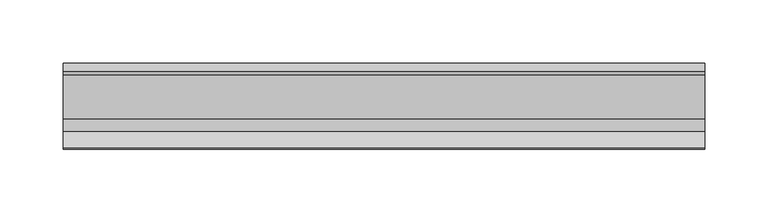
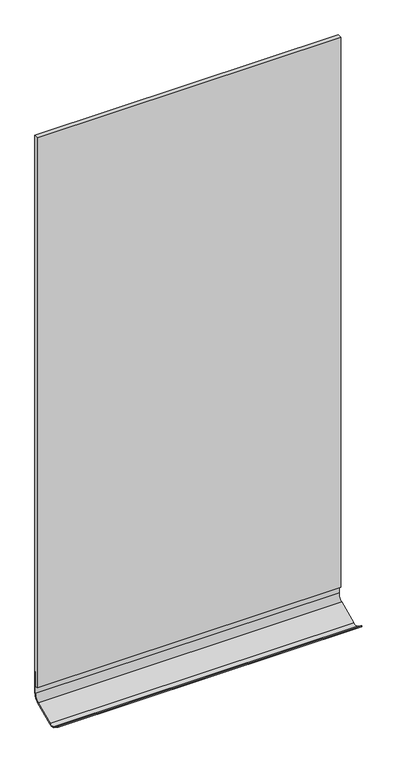
"""IFC4 building model written with IfcOpenShell, lengths in millimetres: furniture geometry."""

from ifc_helpers import new_model, si_unit, frame, origin, place, context, project, spatial, polyline, circle_curve, outline, extrude, source, transform, mapped, element, save
from ifc_brep_helpers import plane_surface, cylinder_surface, revolved_surface, advanced_brep


def furniture_3ea1df9d(model_context):
    return source(origin(), model_context, "Body", "SolidModel", [
        advanced_brep(
        [(-235.2622951, 0.0, 1162.05), (-235.2622951, -1.5875008, 1162.05), (272.7377049, -1.5875008, 1162.05), (272.7377049, 0.0, 1162.05), (-235.2622951, 0.0, 1123.95), (-235.2622951, -8.5020792, 1111.0709817), (-235.2622951, -43.3081623, 1095.4156295), (-235.2622951, -54.540103, 1095.4156295), (-235.2622951, -68.1632812, 1104.4645988), (-235.2622951, -67.2849232, 1105.7869625), (-235.2622951, -53.7735459, 1096.8122552), (-235.2622951, -43.9593611, 1096.8634205), (-235.2622951, -9.1260047, 1112.5310399), (-235.2622951, -1.5875008, 1123.95), (272.7377049, -1.5875008, 1123.95), (272.7377049, -9.125894, 1112.5307809), (272.7377049, -43.9593611, 1096.8634205), (272.7377049, -53.7735459, 1096.8122552), (272.7377049, -67.2849232, 1105.7869625), (272.7377049, -68.1632812, 1104.4645988), (272.7377049, -54.540103, 1095.4156295), (272.7377049, -43.3081623, 1095.4156295), (272.7377049, -8.5020792, 1111.0709817), (272.7377049, 0.0, 1123.95)],
        [
            (0, 1),
            (1, 2),
            (2, 3),
            (3, 0),
            (0, 4),
            (4, 5, circle_curve(frame((-235.2622951, -14.0056601, 1123.95), z_axis=(-1.0, 0.0, 0.0), x_axis=(0.0, 1.0, 0.0)), 14.0056601)),
            (5, 6),
            (6, 7, circle_curve(frame((-235.2622951, -48.9241326, 1107.9014509), z_axis=(-1.0, 0.0, 0.0), x_axis=(0.0, 0.4102037495757319, -0.9119939055903884)), 13.6906851)),
            (7, 8),
            (8, 9),
            (9, 10),
            (10, 11, circle_curve(frame((-235.2622951, -48.9241326, 1107.9014509), z_axis=(1.0, 0.0, 0.0), x_axis=(0.0, 0.4102037495757319, -0.9119939055903884)), 12.1031843)),
            (11, 12),
            (12, 13, circle_curve(frame((-235.2622951, -14.0056601, 1123.95), z_axis=(1.0, 0.0, 0.0), x_axis=(0.0, 1.0, 0.0)), 12.4181593)),
            (13, 1),
            (13, 14),
            (14, 2),
            (14, 15, circle_curve(frame((272.7377049, -14.0056601, 1123.95), z_axis=(-1.0, 0.0, 0.0), x_axis=(0.0, 1.0, 0.0)), 12.4181593)),
            (15, 16),
            (16, 17, circle_curve(frame((272.7377049, -48.9241326, 1107.9014509), z_axis=(-1.0, 0.0, 0.0), x_axis=(0.0, 0.4102037495757319, -0.9119939055903884)), 12.1031843)),
            (17, 18),
            (18, 19),
            (19, 20),
            (20, 21, circle_curve(frame((272.7377049, -48.9241326, 1107.9014509), z_axis=(1.0, 0.0, 0.0), x_axis=(0.0, 0.4102037495757319, -0.9119939055903884)), 13.6906851)),
            (21, 22),
            (22, 23, circle_curve(frame((272.7377049, -14.0056601, 1123.95), z_axis=(1.0, 0.0, 0.0), x_axis=(0.0, 1.0, 0.0)), 14.0056601)),
            (23, 3),
            (23, 4),
            (12, 15),
            (22, 5),
            (11, 16),
            (21, 6),
            (10, 17),
            (20, 7),
            (8, 19),
            (18, 9),
        ],
        [
            plane_surface(frame((18.7377049, 0.0, 1162.05), z_axis=(0.0, 0.0, 1.0), x_axis=(1.0, 0.0, 0.0))),
            plane_surface(frame((-235.2622951, 0.0, 1162.05), z_axis=(-1.0, 0.0, 0.0), x_axis=(0.0, 0.0, -1.0))),
            plane_surface(frame((-235.2622951, -1.5875008, 1162.05), z_axis=(0.0, -1.0, 0.0), x_axis=(0.0, 0.0, -1.0))),
            plane_surface(frame((272.7377049, -1.5875008, 1162.05), z_axis=(1.0, 0.0, 0.0), x_axis=(0.0, 0.0, -1.0))),
            plane_surface(frame((272.7377049, 0.0, 1162.05), z_axis=(0.0, 1.0, 0.0), x_axis=(0.0, 0.0, -1.0))),
            revolved_surface(polyline([(-235.2622951, -1.5875008000000008, 1123.95), (272.7377049, -1.5875008000000008, 1123.95)]), (18.7377049, -14.0056601, 1123.95), (-1.0, 0.0, 0.0)),
            cylinder_surface(frame((18.7377049, -14.0056601, 1123.95), z_axis=(-1.0, 0.0, 0.0), x_axis=(0.0, 1.0, 0.0)), 14.0056601),
            plane_surface(frame((-235.2622951, -9.1260047, 1112.5310399), z_axis=(0.0, -0.4102037495756703, 0.9119939055904162), x_axis=(0.0, -0.9119939055904162, -0.4102037495756703))),
            plane_surface(frame((272.7377049, -8.5020792, 1111.0709817), z_axis=(0.0, 0.4102037495756736, -0.9119939055904146), x_axis=(0.0, -0.9119939055904146, -0.4102037495756736))),
            revolved_surface(polyline([(-235.2622951, -43.95936101833387, 1096.863420580163), (272.7377049, -43.95936101833387, 1096.863420580163)]), (18.7377049, -48.9241326, 1107.9014509), (-1.0, 0.0, 0.0)),
            cylinder_surface(frame((18.7377049, -48.9241326, 1107.9014509), z_axis=(-1.0, 0.0, 0.0), x_axis=(0.0, 0.4102037495757319, -0.9119939055903884)), 13.6906851),
            plane_surface(frame((18.7377049, -68.1632812, 1104.4645988), z_axis=(0.0, -0.8329846113691274, 0.5532961568836565), x_axis=(1.0, 0.0, 0.0))),
            plane_surface(frame((-235.2622951, -53.7735459, 1096.8122552), z_axis=(0.0, 0.5532961568836674, 0.8329846113691202), x_axis=(0.0, -0.8329846113691202, 0.5532961568836674))),
            plane_surface(frame((272.7377049, -54.540103, 1095.4156295), z_axis=(0.0, -0.5532961568836652, -0.8329846113691216), x_axis=(0.0, -0.8329846113691216, 0.5532961568836652))),
        ],
        [
            (0, [[1, 2, 3, 4]]),
            (1, [[-1, 5, 6, 7, 8, 9, 10, 11, 12, 13, 14, 15]]),
            (2, [[-2, -15, 16, 17]]),
            (3, [[-3, -17, 18, 19, 20, 21, 22, 23, 24, 25, 26, 27]]),
            (4, [[-4, -27, 28, -5]]),
            (5, [[-18, -16, -14, 29]]),
            (6, [[-6, -28, -26, 30]]),
            (7, [[-29, -13, 31, -19]]),
            (8, [[-30, -25, 32, -7]]),
            (9, [[-20, -31, -12, 33]]),
            (10, [[-8, -32, -24, 34]]),
            (11, [[35, -22, 36, -10]]),
            (12, [[-33, -11, -36, -21]]),
            (13, [[-34, -23, -35, -9]]),
        ],
    ),
        extrude(outline(polyline([(-6.3500008, 1136.6499998), (-6.3500008, 2110.2835816), (0.0, 2110.2835816), (0.0, 1162.05), (-1.5875008, 1162.05), (-1.5875008, 1136.6499998), (-6.3500008, 1136.6499998)])), frame((-235.2622951, 0.0, 0.0), z_axis=(1.0, 0.0, 0.0), x_axis=(0.0, 1.0, 0.0)), (0.0, 0.0, 1.0), 508.0),
    ])


if __name__ == "__main__":
    model = new_model("IFC4")
    model_context = context("Model", 3, world=origin())
    ifc_project = project(units=[si_unit("LENGTHUNIT", "METRE", prefix="MILLI")], contexts=[model_context])
    site = spatial("IfcSite", under=ifc_project)
    building = spatial("IfcBuilding", under=site)
    placement = place(None, origin())
    furniture_shape = furniture_3ea1df9d(model_context)
    element("IfcFurniture", 1, at=placement, inside=building, context=model_context, shape_type="MappedRepresentation", body=[
        mapped(furniture_shape, transform((0.0, 0.0, 0.0), x_axis=(1.0, 0.0, 0.0), y_axis=(0.0, 1.0, 0.0), z_axis=(0.0, 0.0, 1.0))),
    ])
    save(model, "model.ifc")
